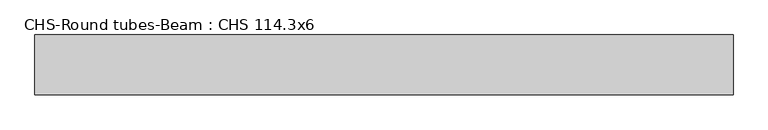
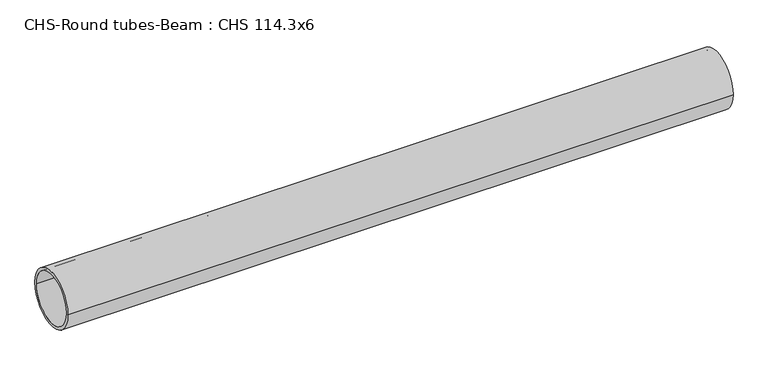
"""IFC4 building model written with IfcOpenShell, lengths in millimetres: beam geometry, CHS-Round tubes-Beam : CHS 114.3x6."""

import ifcopenshell
import ifcopenshell.guid

model = None  # the IFC model being written
_history = None  # IfcOwnerHistory: only IFC2X3 demands one
_inside = {}  # id of a spatial element -> (the spatial element, [elements in it])
_under = {}  # id of a project, library or spatial element -> (it, [spatial elements below it])
_declared = {}  # id of a project -> (the project, [libraries it declares])
_typed = {}  # id of a type object -> (the type object, [elements of that type])
_made_of = {}  # id of a material, layer set ... -> (it, [elements and type objects made of it])


def new_model(schema):
    """Start an empty IFC model of exactly this schema.

    Asked for "IFC4X3", IfcOpenShell would pick the latest addendum, in which some entities
    have other attributes; the version numbers below select the first issue.
    IFC2X3 requires an IfcOwnerHistory on every rooted entity: one is made here for all.
    """
    global model, _history
    if schema == "IFC4X3":
        model = ifcopenshell.file(schema_version=(4, 3, 0, 0))
    else:
        model = ifcopenshell.file(schema=schema)
    _inside.clear()
    _under.clear()
    _declared.clear()
    _typed.clear()
    _made_of.clear()
    _history = None
    if model.schema == "IFC2X3":
        org = make("IfcOrganization", Name="unknown")
        user = make(
            "IfcPersonAndOrganization",
            ThePerson=make("IfcPerson", FamilyName="unknown"),
            TheOrganization=org,
        )
        app = make(
            "IfcApplication",
            ApplicationDeveloper=org,
            Version="unknown",
            ApplicationFullName="unknown",
            ApplicationIdentifier="unknown",
        )
        _history = make(
            "IfcOwnerHistory",
            OwningUser=user,
            OwningApplication=app,
            ChangeAction="ADDED",
            CreationDate=0,
        )
    return model


def make(cls, **values):
    """One entity of the class cls with the attributes given. An attribute that is None is left unset."""
    return model.create_entity(
        cls, **{name: value for name, value in values.items() if value is not None}
    )


def rooted(cls, **values):
    """An entity with a GlobalId (a new one), such as an element, a storey or a relation."""
    return make(cls, GlobalId=ifcopenshell.guid.new(), OwnerHistory=_history, **values)


def si_unit(unit_type, name, prefix=None):
    """IfcSIUnit, for example si_unit("LENGTHUNIT", "METRE", prefix="MILLI")."""
    return make("IfcSIUnit", UnitType=unit_type, Prefix=prefix, Name=name)


def assignment(units):
    """IfcUnitAssignment: the units of a project."""
    return None if units is None else make("IfcUnitAssignment", Units=units)


def point(xyz):
    """IfcCartesianPoint."""
    return None if xyz is None else make("IfcCartesianPoint", Coordinates=xyz)


def direction(xyz):
    """IfcDirection."""
    return None if xyz is None else make("IfcDirection", DirectionRatios=xyz)


def frame(location, z_axis=None, x_axis=None):
    """IfcAxis2Placement3D, a coordinate frame: its origin and axes. An axis left out is left unset."""
    return make(
        "IfcAxis2Placement3D",
        Location=point(location),
        Axis=direction(z_axis),
        RefDirection=direction(x_axis),
    )


def frame_2d(location, x_axis=None):
    """IfcAxis2Placement2D, a coordinate frame in the plane: its origin and x axis."""
    return make(
        "IfcAxis2Placement2D", Location=point(location), RefDirection=direction(x_axis)
    )


def origin():
    """The frame at (0, 0, 0) with its axes left unset."""
    return frame((0.0, 0.0, 0.0))


def origin_2d():
    """The frame at (0, 0) in the plane with its x axis left unset."""
    return frame_2d((0.0, 0.0))


def place(relative_to, where):
    """IfcLocalPlacement: puts the frame where relative to a parent placement (None: the world)."""
    return make(
        "IfcLocalPlacement", PlacementRelTo=relative_to, RelativePlacement=where
    )


def context(
    kind, dimensions, precision=None, world=None, true_north=None, identifier=None
):
    """IfcGeometricRepresentationContext, for example the 3D "Model" context."""
    return make(
        "IfcGeometricRepresentationContext",
        ContextIdentifier=identifier,
        ContextType=kind,
        CoordinateSpaceDimension=dimensions,
        Precision=precision,
        WorldCoordinateSystem=world,
        TrueNorth=true_north,
    )


def project(units=None, contexts=None):
    """IfcProject with its units and contexts."""
    return rooted(
        "IfcProject",
        Name="project",
        RepresentationContexts=contexts,
        UnitsInContext=assignment(units),
    )


def spatial(cls, under=None, at=None, **own):
    """A site, building, storey or space (cls), placed at a placement, below another one or the project."""
    s = rooted(cls, ObjectPlacement=at, **own)
    if under is not None:
        _under.setdefault(under.id(), (under, []))[1].append(s)
    return s


def circle_curve(where, radius):
    """IfcCircle in the frame where."""
    return make("IfcCircle", Position=where, Radius=radius)


def trimmed(basis, trim1, trim2, sense, master):
    """IfcTrimmedCurve: the piece of a basis curve between two trims."""
    return make(
        "IfcTrimmedCurve",
        BasisCurve=basis,
        Trim1=trim1,
        Trim2=trim2,
        SenseAgreement=sense,
        MasterRepresentation=master,
    )


def segment(curve, same_sense, transition):
    """IfcCompositeCurveSegment."""
    return make(
        "IfcCompositeCurveSegment",
        Transition=transition,
        SameSense=same_sense,
        ParentCurve=curve,
    )


def composite_curve(segments, self_intersect=None):
    """IfcCompositeCurve: segments joined end to end."""
    return make("IfcCompositeCurve", Segments=segments, SelfIntersect=self_intersect)


def outline(outer, holes=None, kind="AREA"):
    """IfcArbitraryClosedProfileDef: a profile drawn as a closed curve; with holes, ...WithVoids."""
    if holes is None:
        return make("IfcArbitraryClosedProfileDef", ProfileType=kind, OuterCurve=outer)
    return make(
        "IfcArbitraryProfileDefWithVoids",
        ProfileType=kind,
        OuterCurve=outer,
        InnerCurves=holes,
    )


def extrude(swept, where, along, depth):
    """IfcExtrudedAreaSolid: the profile swept, set in the frame where, extruded along a direction by depth."""
    return make(
        "IfcExtrudedAreaSolid",
        SweptArea=swept,
        Position=where,
        ExtrudedDirection=direction(along),
        Depth=depth,
    )


def shape(context_of_items, identifier, shape_type, items):
    """IfcShapeRepresentation: the items that make up one representation, for example the "Body"."""
    return make(
        "IfcShapeRepresentation",
        ContextOfItems=context_of_items,
        RepresentationIdentifier=identifier,
        RepresentationType=shape_type,
        Items=items,
    )


def source(mapping_origin, context_of_items, identifier, shape_type, items):
    """IfcRepresentationMap: a shape defined once, which mapped items show again and again."""
    return make(
        "IfcRepresentationMap",
        MappingOrigin=mapping_origin,
        MappedRepresentation=shape(context_of_items, identifier, shape_type, items),
    )


def transform(
    local_origin,
    x_axis=None,
    y_axis=None,
    z_axis=None,
    scale=None,
    scale2=None,
    scale3=None,
    uniform=True,
):
    """IfcCartesianTransformationOperator3D, or its non-uniform kind. x_axis, y_axis, z_axis: its Axis1, 2, 3."""
    if uniform:
        return make(
            "IfcCartesianTransformationOperator3D",
            Axis1=direction(x_axis),
            Axis2=direction(y_axis),
            LocalOrigin=point(local_origin),
            Scale=scale,
            Axis3=direction(z_axis),
        )
    return make(
        "IfcCartesianTransformationOperator3DnonUniform",
        Axis1=direction(x_axis),
        Axis2=direction(y_axis),
        LocalOrigin=point(local_origin),
        Scale=scale,
        Axis3=direction(z_axis),
        Scale2=scale2,
        Scale3=scale3,
    )


def mapped(mapping_source, mapping_target):
    """IfcMappedItem: shows the shape of a source again, moved by a transform."""
    return make(
        "IfcMappedItem", MappingSource=mapping_source, MappingTarget=mapping_target
    )


def made_of(thing, what):
    """Note that an element or type object is made of a material, layer set ...; save() writes the relation."""
    if what is not None:
        _made_of.setdefault(what.id(), (what, []))[1].append(thing)
    return thing


def element(
    cls,
    number,
    at=None,
    inside=None,
    cuts=None,
    type_object=None,
    material=None,
    context=None,
    identifier="Body",
    shape_type=None,
    held_by="IfcProductDefinitionShape",
    body=None,
    shapes=None,
    **own,
):
    """One element of the class cls, such as IfcWall. Its Tag is "e" and its number.

    at: its placement. inside: the storey or other place that contains it. cuts: it is an
    opening in that element (IfcRelVoidsElement). A single representation is given by context,
    identifier, shape_type and body (its items); several are given by shapes. held_by: the class
    of the entity that holds the representations. save() writes the other relations.
    """
    e = rooted(cls, Tag="e%d" % number, ObjectPlacement=at, **own)
    if body is not None:
        shapes = [shape(context, identifier, shape_type, body)]
    if shapes is not None:
        e.Representation = make(held_by, Representations=shapes)
    if inside is not None:
        _inside.setdefault(inside.id(), (inside, []))[1].append(e)
    if cuts is not None:
        rooted(
            "IfcRelVoidsElement", RelatingBuildingElement=cuts, RelatedOpeningElement=e
        )
    if type_object is not None:
        _typed.setdefault(type_object.id(), (type_object, []))[1].append(e)
    return made_of(e, material)


def aggregate(whole, parts):
    """IfcRelAggregates: a whole, such as a stair, and the parts it consists of."""
    return rooted("IfcRelAggregates", RelatingObject=whole, RelatedObjects=parts)


def save(model, path):
    """Write the relations noted so far, then the file.

    IfcRelAggregates (storeys below a building ...), IfcRelContainedInSpatialStructure (elements
    in a storey), IfcRelDefinesByType, IfcRelAssociatesMaterial and IfcRelDeclares: one each for
    every whole, place, type object, material and project.
    """
    for whole, parts in _under.values():
        aggregate(whole, parts)
    for where, things in _inside.values():
        rooted(
            "IfcRelContainedInSpatialStructure",
            RelatedElements=things,
            RelatingStructure=where,
        )
    for kind, things in _typed.values():
        rooted("IfcRelDefinesByType", RelatedObjects=things, RelatingType=kind)
    for what, things in _made_of.values():
        rooted("IfcRelAssociatesMaterial", RelatedObjects=things, RelatingMaterial=what)
    for by, libraries in _declared.values():
        rooted("IfcRelDeclares", RelatingContext=by, RelatedDefinitions=libraries)
    model.write(path)


def chs_round_tubes_beam_chs_114_3x6_c6e22a69(model_context):
    return source(origin(), model_context, "Body", "SweptSolid", [
        extrude(outline(composite_curve([segment(trimmed(circle_curve(origin_2d(), 57.15), [point((57.15, 0.0))], [point((-57.15, 0.0))], False, "CARTESIAN"), True, "CONTINUOUS"), segment(trimmed(circle_curve(origin_2d(), 57.15), [point((-57.15, 0.0))], [point((57.15, 0.0))], False, "CARTESIAN"), True, "CONTINUOUS")], self_intersect=False), holes=[composite_curve([segment(trimmed(circle_curve(origin_2d(), 51.15), [point((51.15, 0.0))], [point((-51.15, 0.0))], True, "CARTESIAN"), True, "CONTINUOUS"), segment(trimmed(circle_curve(origin_2d(), 51.15), [point((-51.15, 0.0))], [point((51.15, 0.0))], True, "CARTESIAN"), True, "CONTINUOUS")], self_intersect=False)]), frame((-705.3305074, 0.0, 0.0), z_axis=(1.0, 0.0, 0.0), x_axis=(0.0, 1.0, 0.0)), (0.0, 0.0, 1.0), 1331.9423712),
    ])


if __name__ == "__main__":
    model = new_model("IFC4")
    model_context = context("Model", 3, world=origin())
    ifc_project = project(units=[si_unit("LENGTHUNIT", "METRE", prefix="MILLI")], contexts=[model_context])
    site = spatial("IfcSite", under=ifc_project)
    building = spatial("IfcBuilding", under=site)
    placement = place(None, origin())
    chs_round_tubes_beam_chs_114_3x6_shape = chs_round_tubes_beam_chs_114_3x6_c6e22a69(model_context)
    element("IfcBeam", 1, ObjectType="CHS-Round tubes-Beam : CHS 114.3x6", at=placement, inside=building, context=model_context, shape_type="MappedRepresentation", body=[
        mapped(chs_round_tubes_beam_chs_114_3x6_shape, transform((0.0, 0.0, 0.0), x_axis=(1.0, 0.0, 0.0), y_axis=(0.0, 1.0, 0.0), z_axis=(0.0, 0.0, 1.0))),
    ])
    save(model, "model.ifc")
